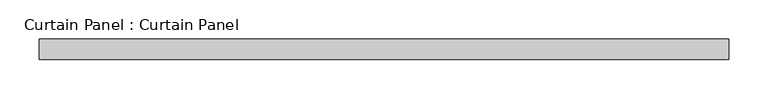
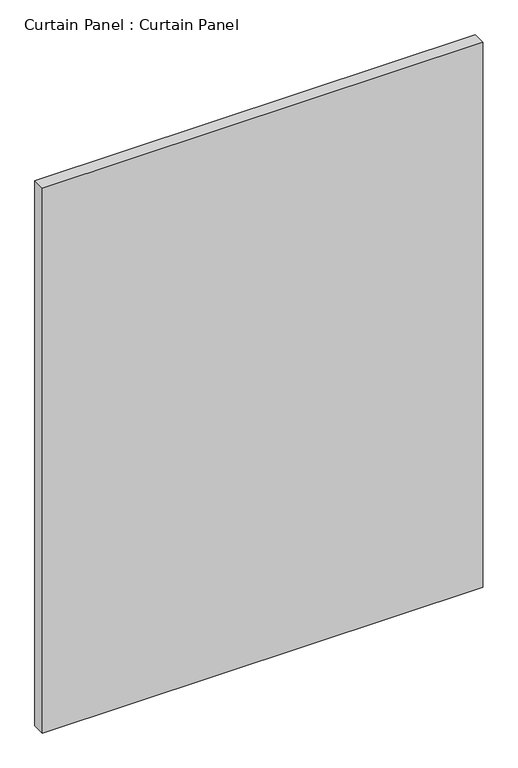
"""IFC4 building model written with IfcOpenShell, lengths in millimetres: plate geometry, Curtain Panel : Curtain Panel."""

from ifc_helpers import new_model, si_unit, frame, origin, place, context, project, spatial, polyline, outline, extrude, source, transform, mapped, element, save


def curtain_panel_curtain_panel_4c3a1f2c(model_context):
    return source(origin(), model_context, "Body", "SweptSolid", [
        extrude(outline(polyline([(-39877.5444373, -1996.9602036), (-40750.6693241, -1996.9602036), (-40750.6693241, -1971.5602036), (-39877.5444373, -1971.5602036), (-39877.5444373, -1996.9602036)])), frame((0.0, 0.0, 1767.8274539), z_axis=(0.0, 0.0, 1.0), x_axis=(1.0, 0.0, 0.0)), (0.0, 0.0, 1.0), 1141.8462759),
    ])


if __name__ == "__main__":
    model = new_model("IFC4")
    model_context = context("Model", 3, world=origin())
    ifc_project = project(units=[si_unit("LENGTHUNIT", "METRE", prefix="MILLI")], contexts=[model_context])
    site = spatial("IfcSite", under=ifc_project)
    building = spatial("IfcBuilding", under=site)
    placement = place(None, origin())
    curtain_panel_curtain_panel_shape = curtain_panel_curtain_panel_4c3a1f2c(model_context)
    element("IfcPlate", 1, ObjectType="Curtain Panel : Curtain Panel", at=placement, inside=building, context=model_context, shape_type="MappedRepresentation", body=[
        mapped(curtain_panel_curtain_panel_shape, transform((0.0, 0.0, 0.0), x_axis=(1.0, 0.0, 0.0), y_axis=(0.0, 1.0, 0.0), z_axis=(0.0, 0.0, 1.0))),
    ])
    save(model, "model.ifc")
